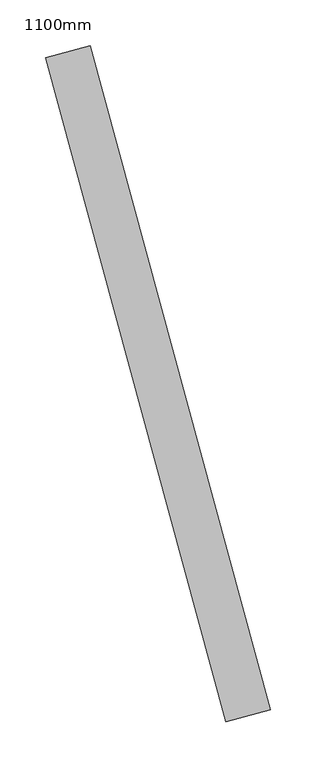
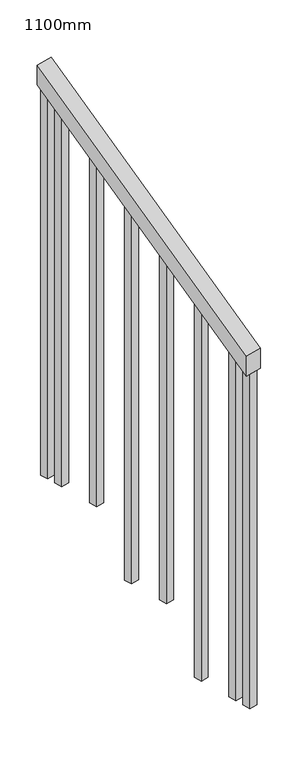
"""IFC4 building model written with IfcOpenShell, lengths in millimetres: railing geometry, 1100mm."""

from ifc_helpers import new_model, si_unit, frame, origin, place, context, project, spatial, polyline, outline, extrude, source, transform, mapped, element, save


def railing_1100mm_ee011beb(model_context):
    return source(origin(), model_context, "Body", "SweptSolid", [
        extrude(outline(polyline([(-35.5555555, -50.0), (0.0, 0.0), (920.2958461, 0.0), (884.7402906, -50.0), (-35.5555555, -50.0)])), frame((114892.0461447, -92378.8660234, 1277.7777778), z_axis=(0.9649894123601837, 0.26228883703418915, 0.0), x_axis=(-0.2137536843159581, 0.7864232597554026, 0.5795237863600082)), (0.0, 0.0, 1.0), 50.0),
        extrude(outline(polyline([(1271.980277, -25.0), (108.8888889, -25.0), (91.1111112, 0.0), (1271.980277, 0.0), (1271.980277, -25.0)])), frame((114720.5063265, -91700.0948243, 1805.3136103), z_axis=(0.9649894123601837, 0.26228883703418915, 0.0), x_axis=(0.0, 0.0, -1.0)), (0.0, 0.0, 1.0), 25.0),
        extrude(outline(polyline([(1183.0913881, -25.0), (108.8888889, -25.0), (91.1111111, 0.0), (1183.0913881, 0.0), (1183.0913881, -25.0)])), frame((114753.2924311, -91820.7185008, 1716.4247214), z_axis=(0.9649894123601837, 0.26228883703418915, 0.0), x_axis=(0.0, 0.0, -1.0)), (0.0, 0.0, 1.0), 25.0),
        extrude(outline(polyline([(1271.9802769, -25.0), (108.8888889, -25.0), (91.1111111, 0.0), (1271.9802769, 0.0), (1271.9802769, -25.0)])), frame((114786.0785357, -91941.3421774, 1627.5358325), z_axis=(0.9649894123601837, 0.26228883703418915, 0.0), x_axis=(0.0, 0.0, -1.0)), (0.0, 0.0, 1.0), 25.0),
        extrude(outline(polyline([(1183.091388, -25.0), (108.8888889, -25.0), (91.1111111, 0.0), (1183.091388, 0.0), (1183.091388, -25.0)])), frame((114818.8646403, -92061.9658539, 1538.6469436), z_axis=(0.9649894123601837, 0.26228883703418915, 0.0), x_axis=(0.0, 0.0, -1.0)), (0.0, 0.0, 1.0), 25.0),
        extrude(outline(polyline([(1271.9802769, -25.0000001), (108.8888889, -25.0000001), (91.1111111, 0.0), (1271.9802769, 0.0), (1271.9802769, -25.0000001)])), frame((114851.650745, -92182.5895304, 1449.7580547), z_axis=(0.9649894123601837, 0.26228883703418915, 0.0), x_axis=(0.0, 0.0, -1.0)), (0.0, 0.0, 1.0), 25.0),
        extrude(outline(polyline([(1183.091388, -25.0), (108.8888889, -25.0), (91.1111111, 0.0), (1183.091388, 0.0), (1183.091388, -25.0)])), frame((114884.4368496, -92303.213207, 1360.8691658), z_axis=(0.9649894123601837, 0.26228883703418915, 0.0), x_axis=(0.0, 0.0, -1.0)), (0.0, 0.0, 1.0), 25.0),
        extrude(outline(polyline([(1307.5358325, -25.0000001), (108.8888889, -25.0000001), (91.1111111, 0.0), (1307.5358325, 0.0), (1307.5358325, -25.0000001)])), frame((114707.3918846, -91651.8453536, 1840.8691658), z_axis=(0.9649894123601837, 0.26228883703418915, 0.0), x_axis=(0.0, 0.0, -1.0)), (0.0, 0.0, 1.0), 25.0),
        extrude(outline(polyline([(1147.5358325, -25.0), (108.8888889, -25.0), (91.1111112, 0.0), (1147.5358325, 0.0), (1147.5358325, -25.0)])), frame((114897.5512915, -92351.4626776, 1325.3136103), z_axis=(0.9649894123601837, 0.26228883703418915, 0.0), x_axis=(0.0, 0.0, -1.0)), (0.0, 0.0, 1.0), 25.0),
    ])


if __name__ == "__main__":
    model = new_model("IFC4")
    model_context = context("Model", 3, world=origin())
    ifc_project = project(units=[si_unit("LENGTHUNIT", "METRE", prefix="MILLI")], contexts=[model_context])
    site = spatial("IfcSite", under=ifc_project)
    building = spatial("IfcBuilding", under=site)
    placement = place(None, origin())
    railing_1100mm_shape = railing_1100mm_ee011beb(model_context)
    element("IfcRailing", 1, ObjectType="1100mm", at=placement, inside=building, context=model_context, shape_type="MappedRepresentation", body=[
        mapped(railing_1100mm_shape, transform((0.0, 0.0, 0.0), x_axis=(1.0, 0.0, 0.0), y_axis=(0.0, 1.0, 0.0), z_axis=(0.0, 0.0, 1.0))),
    ])
    save(model, "model.ifc")
